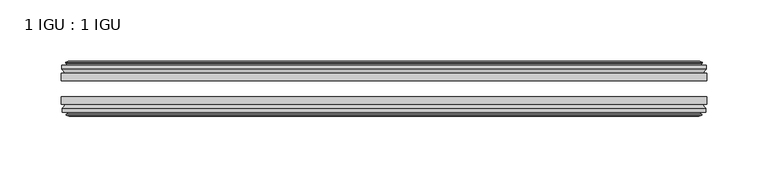
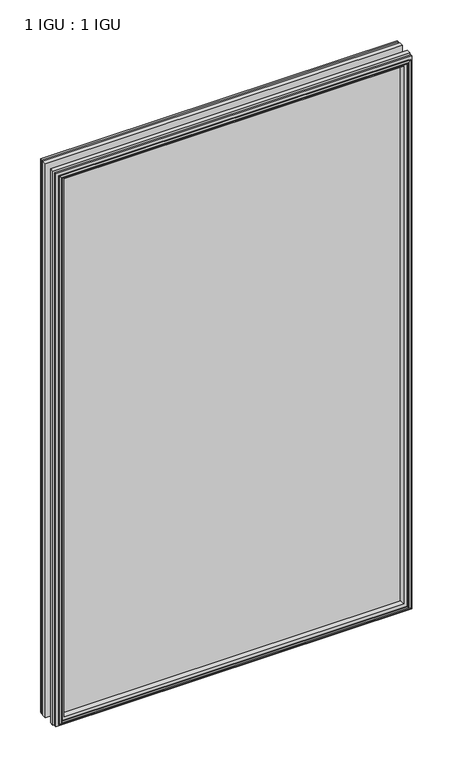
"""IFC4 building model written with IfcOpenShell, lengths in millimetres: plate geometry, 1 IGU : 1 IGU."""

from ifc_helpers import new_model, si_unit, frame, origin, place, context, project, spatial, polyline, outline, extrude, faceted_brep, source, transform, mapped, element, save


def plate_1_igu_1_igu_857d82f3(model_context):
    return source(origin(), model_context, "Body", "SolidModel", [
        extrude(outline(polyline([(263.5317469, -19.5460937), (263.5317469, -25.8960938), (-263.5317469, -25.8960938), (-263.5317469, -19.5460937), (263.5317469, -19.5460937)])), frame((0.0, 0.0, -12.7), z_axis=(0.0, 0.0, 1.0), x_axis=(1.0, 0.0, 0.0)), (0.0, 0.0, 1.0), 863.6),
        extrude(outline(polyline([(-263.5317469, -44.9460938), (-263.5317469, -38.9186737), (263.5317469, -38.9186737), (263.5317469, -44.9460938), (-263.5317469, -44.9460938)])), frame((0.0, 0.0, -12.7), z_axis=(0.0, 0.0, 1.0), x_axis=(1.0, 0.0, 0.0)), (0.0, 0.0, 1.0), 863.6),
        faceted_brep([(-257.9437469, -53.6762907, 845.312), (-258.3247469, -51.2960937, 845.693), (-258.3247469, -51.2960937, -7.493), (-257.9437469, -53.6762907, -7.112), (-259.3592759, -53.2163575, 846.7275291), (-259.3592759, -53.2163575, -8.5275291), (-259.3592759, -54.0175717, 846.7275291), (-259.3592759, -54.0175717, -8.5275291), (-257.1817469, -54.7250937, 844.55), (-257.1817469, -54.7250937, -6.35), (-255.0042178, -54.0175717, 842.3724709), (-255.0042178, -54.0175717, -4.1724709), (-255.0042178, -53.2163575, 842.3724709), (-255.0042178, -53.2163575, -4.1724709), (-256.4197469, -53.6762907, 843.788), (-256.4197469, -53.6762907, -5.588), (-256.0387469, -51.2960937, 843.407), (-256.0387469, -51.2960937, -5.207), (-249.1140288, -44.9460937, 836.4822819), (-250.8317469, -51.2960937, 838.2), (-250.8317469, -51.2960937, 0.0), (-249.1140288, -44.9460937, 1.7177181), (-262.7697469, -48.3496937, 850.138), (-259.9354047, -44.9460937, 847.3036578), (-259.9354047, -44.9460937, -9.1036578), (-262.7697469, -48.3496937, -11.938), (-262.7697469, -51.2960937, 850.138), (-262.7697469, -51.2960937, -11.938), (258.3247469, -51.2960938, -7.493), (257.9437469, -53.6762907, -7.112), (259.3592759, -53.2163575, -8.5275291), (259.3592759, -54.0175717, -8.5275291), (257.1817469, -54.7250937, -6.35), (255.0042178, -54.0175717, -4.1724709), (255.0042178, -53.2163575, -4.1724709), (256.4197469, -53.6762907, -5.588), (256.0387469, -51.2960937, -5.207), (250.8317469, -51.2960937, 0.0), (249.1140288, -44.9460937, 1.7177181), (259.9354047, -44.9460937, -9.1036578), (262.7697469, -48.3496937, -11.938), (262.7697469, -51.2960938, -11.938), (258.3247469, -51.2960938, 845.693), (257.9437469, -53.6762907, 845.312), (259.3592759, -53.2163575, 846.7275291), (259.3592759, -54.0175717, 846.7275291), (257.1817469, -54.7250937, 844.55), (255.0042178, -54.0175717, 842.3724709), (255.0042178, -53.2163575, 842.3724709), (256.4197469, -53.6762907, 843.788), (256.0387469, -51.2960937, 843.407), (250.8317469, -51.2960937, 838.2), (249.1140288, -44.9460937, 836.4822819), (259.9354047, -44.9460937, 847.3036578), (262.7697469, -48.3496937, 850.138), (262.7697469, -51.2960938, 850.138)], [[[0, 1, 2, 3]], [[4, 0, 3, 5]], [[6, 4, 5, 7]], [[8, 6, 7, 9]], [[10, 8, 9, 11]], [[12, 10, 11, 13]], [[14, 12, 13, 15]], [[16, 14, 15, 17]], [[18, 19, 20, 21]], [[22, 23, 24, 25]], [[26, 22, 25, 27]], [[3, 2, 28, 29]], [[5, 3, 29, 30]], [[7, 5, 30, 31]], [[9, 7, 31, 32]], [[11, 9, 32, 33]], [[13, 11, 33, 34]], [[15, 13, 34, 35]], [[17, 15, 35, 36]], [[21, 20, 37, 38]], [[25, 24, 39, 40]], [[27, 25, 40, 41]], [[29, 28, 42, 43]], [[30, 29, 43, 44]], [[31, 30, 44, 45]], [[32, 31, 45, 46]], [[33, 32, 46, 47]], [[34, 33, 47, 48]], [[35, 34, 48, 49]], [[36, 35, 49, 50]], [[38, 37, 51, 52]], [[40, 39, 53, 54]], [[41, 40, 54, 55]], [[27, 41, 55, 26], [1, 42, 28, 2]], [[43, 42, 1, 0]], [[44, 43, 0, 4]], [[45, 44, 4, 6]], [[46, 45, 6, 8]], [[47, 46, 8, 10]], [[48, 47, 10, 12]], [[49, 48, 12, 14]], [[50, 49, 14, 16]], [[17, 36, 50, 16], [19, 51, 37, 20]], [[52, 51, 19, 18]], [[23, 53, 39, 24], [21, 38, 52, 18]], [[54, 53, 23, 22]], [[55, 54, 22, 26]]]),
        faceted_brep([(-260.4561047, -19.5460937, 847.8243578), (-263.2904469, -16.1424937, 850.6587), (-263.2904469, -16.1424937, -12.4587), (-260.4561047, -19.5460937, -9.6243578), (-251.3524469, -13.1960937, 838.7207), (-249.6347288, -19.5460937, 837.0029819), (-249.6347288, -19.5460937, 1.1970181), (-251.3524469, -13.1960937, -0.5207), (-256.9404469, -10.8158968, 844.3087), (-256.5594469, -13.1960937, 843.9277), (-256.5594469, -13.1960937, -5.7277), (-256.9404469, -10.8158968, -6.1087), (-255.5249178, -11.27583, 842.8931709), (-255.5249178, -11.27583, -4.6931709), (-255.5249178, -10.4746158, 842.8931709), (-255.5249178, -10.4746158, -4.6931709), (-257.7024469, -9.7670937, 845.0707), (-257.7024469, -9.7670937, -6.8707), (-259.8799759, -10.4746158, 847.2482291), (-259.8799759, -10.4746158, -9.0482291), (-259.8799759, -11.27583, 847.2482291), (-259.8799759, -11.27583, -9.0482291), (-258.4644469, -10.8158968, 845.8327), (-258.4644469, -10.8158968, -7.6327), (-258.8454469, -13.1960937, 846.2137), (-258.8454469, -13.1960937, -8.0137), (-263.2904469, -13.1960937, 850.6587), (-263.2904469, -13.1960937, -12.4587), (263.2904469, -16.1424937, -12.4587), (260.4561047, -19.5460937, -9.6243578), (249.6347288, -19.5460937, 1.1970181), (251.3524469, -13.1960937, -0.5207), (256.5594469, -13.1960937, -5.7277), (256.9404469, -10.8158968, -6.1087), (255.5249178, -11.27583, -4.6931709), (255.5249178, -10.4746158, -4.6931709), (257.7024469, -9.7670937, -6.8707), (259.8799759, -10.4746158, -9.0482291), (259.8799759, -11.27583, -9.0482291), (258.4644469, -10.8158968, -7.6327), (258.8454469, -13.1960937, -8.0137), (263.2904469, -13.1960937, -12.4587), (263.2904469, -16.1424937, 850.6587), (260.4561047, -19.5460937, 847.8243578), (249.6347288, -19.5460937, 837.0029819), (251.3524469, -13.1960937, 838.7207), (256.5594469, -13.1960937, 843.9277), (256.9404469, -10.8158968, 844.3087), (255.5249178, -11.27583, 842.8931709), (255.5249178, -10.4746158, 842.8931709), (257.7024469, -9.7670937, 845.0707), (259.8799759, -10.4746158, 847.2482291), (259.8799759, -11.27583, 847.2482291), (258.4644469, -10.8158968, 845.8327), (258.8454469, -13.1960937, 846.2137), (263.2904469, -13.1960937, 850.6587)], [[[0, 1, 2, 3]], [[4, 5, 6, 7]], [[8, 9, 10, 11]], [[12, 8, 11, 13]], [[14, 12, 13, 15]], [[16, 14, 15, 17]], [[18, 16, 17, 19]], [[20, 18, 19, 21]], [[22, 20, 21, 23]], [[24, 22, 23, 25]], [[1, 26, 27, 2]], [[3, 2, 28, 29]], [[7, 6, 30, 31]], [[11, 10, 32, 33]], [[13, 11, 33, 34]], [[15, 13, 34, 35]], [[17, 15, 35, 36]], [[19, 17, 36, 37]], [[21, 19, 37, 38]], [[23, 21, 38, 39]], [[25, 23, 39, 40]], [[2, 27, 41, 28]], [[29, 28, 42, 43]], [[31, 30, 44, 45]], [[33, 32, 46, 47]], [[34, 33, 47, 48]], [[35, 34, 48, 49]], [[36, 35, 49, 50]], [[37, 36, 50, 51]], [[38, 37, 51, 52]], [[39, 38, 52, 53]], [[40, 39, 53, 54]], [[28, 41, 55, 42]], [[43, 42, 1, 0]], [[3, 29, 43, 0], [5, 44, 30, 6]], [[45, 44, 5, 4]], [[9, 46, 32, 10], [7, 31, 45, 4]], [[47, 46, 9, 8]], [[48, 47, 8, 12]], [[49, 48, 12, 14]], [[50, 49, 14, 16]], [[51, 50, 16, 18]], [[52, 51, 18, 20]], [[53, 52, 20, 22]], [[54, 53, 22, 24]], [[26, 55, 41, 27], [25, 40, 54, 24]], [[42, 55, 26, 1]]]),
    ])


if __name__ == "__main__":
    model = new_model("IFC4")
    model_context = context("Model", 3, world=origin())
    ifc_project = project(units=[si_unit("LENGTHUNIT", "METRE", prefix="MILLI")], contexts=[model_context])
    site = spatial("IfcSite", under=ifc_project)
    building = spatial("IfcBuilding", under=site)
    placement = place(None, origin())
    plate_1_igu_1_igu_shape = plate_1_igu_1_igu_857d82f3(model_context)
    element("IfcPlate", 1, ObjectType="1 IGU : 1 IGU", at=placement, inside=building, context=model_context, shape_type="MappedRepresentation", body=[
        mapped(plate_1_igu_1_igu_shape, transform((0.0, 0.0, 0.0), x_axis=(1.0, 0.0, 0.0), y_axis=(0.0, 1.0, 0.0), z_axis=(0.0, 0.0, 1.0))),
    ])
    save(model, "model.ifc")
